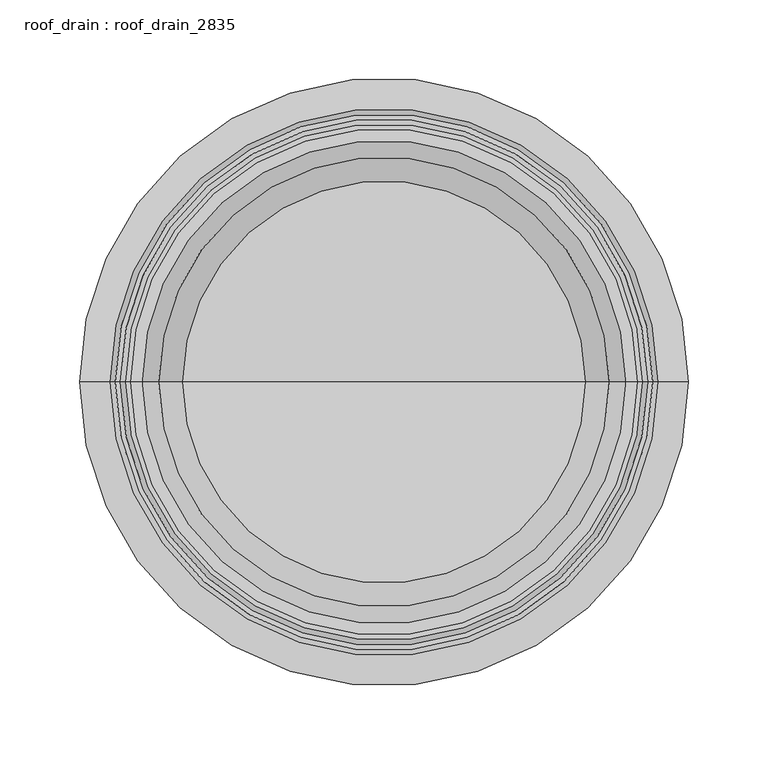
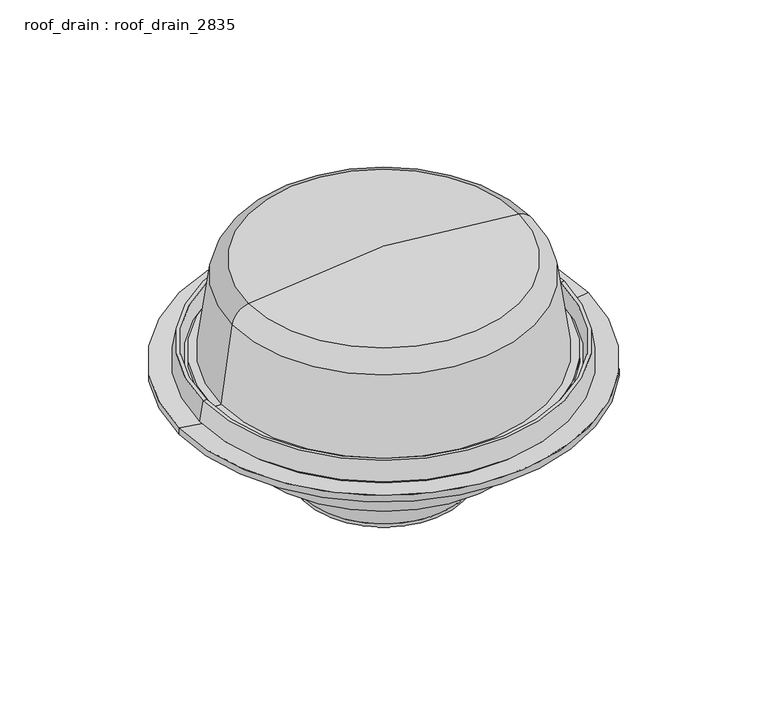
"""IFC4 building model written with IfcOpenShell, lengths in millimetres: proxy geometry, roof_drain : roof_drain_2835."""

from ifc_helpers import new_model, si_unit, point, frame, origin, place, context, project, spatial, polyline, circle_curve, ellipse_curve, trimmed, source, transform, mapped, element, save
from ifc_brep_helpers import plane_surface, cylinder_surface, revolved_surface, advanced_brep


def roof_drain_roof_drain_2835_247186c0(model_context):
    return source(origin(), model_context, "Body", "AdvancedBrep", [
        advanced_brep(
        [(-336.55, 0.0, 3732.1447843), (-368.3, 0.0, 3736.9072843), (12.7, 0.0, 3736.9072843), (-19.05, 0.0, 3732.1447843), (-312.7375, 0.0, 3732.1447843), (-42.8625, 0.0, 3732.1447843), (-312.7375, 0.0, 3698.8072843), (-42.8625, 0.0, 3698.8072843), (-292.1, 0.0, 3678.1697843), (-63.5, 0.0, 3678.1697843), (-263.525, 0.0, 3678.1697843), (-92.075, 0.0, 3678.1697843), (-249.2375, 0.0, 3663.8822843), (-106.3625, 0.0, 3663.8822843), (-249.2375, 0.0, 3628.9572843), (-106.3625, 0.0, 3628.9572843), (-247.65, 0.0, 3627.3697843), (-107.95, 0.0, 3627.3697843), (-244.475, 0.0, 3627.3697843), (-111.125, 0.0, 3627.3697843), (-244.475, 0.0, 3622.6072843), (-111.125, 0.0, 3622.6072843), (-247.65, 0.0, 3622.6072843), (-107.95, 0.0, 3622.6072843), (-254.0, 0.0, 3628.9572843), (-101.6, 0.0, 3628.9572843), (-254.0, 0.0, 3663.8822843), (-101.6, 0.0, 3663.8822843), (-263.525, 0.0, 3673.4072843), (-92.075, 0.0, 3673.4072843), (-292.1, 0.0, 3673.4072843), (-63.5, 0.0, 3673.4072843), (-317.5, 0.0, 3698.8072843), (-38.1, 0.0, 3698.8072843), (-317.5, 0.0, 3724.2072843), (-38.1, 0.0, 3724.2072843), (-368.3, 0.0, 3730.5572843), (12.7, 0.0, 3730.5572843)],
        [
            (0, 1),
            (1, 2, circle_curve(frame((-177.8, 0.0, 3736.9072843), z_axis=(0.0, 0.0, 1.0), x_axis=(1.0, 0.0, 0.0)), 190.5)),
            (2, 3),
            (3, 0, circle_curve(frame((-177.8, 0.0, 3732.1447843), z_axis=(0.0, 0.0, -1.0), x_axis=(1.0, 0.0, 0.0)), 158.75)),
            (2, 1, circle_curve(frame((-177.8, 0.0, 3736.9072843), z_axis=(0.0, 0.0, 1.0), x_axis=(1.0, 0.0, 0.0)), 190.5)),
            (0, 3, circle_curve(frame((-177.8, 0.0, 3732.1447843), z_axis=(0.0, 0.0, -1.0), x_axis=(1.0, 0.0, 0.0)), 158.75)),
            (4, 0),
            (3, 5),
            (5, 4, circle_curve(frame((-177.8, 0.0, 3732.1447843), z_axis=(0.0, 0.0, -1.0), x_axis=(1.0, 0.0, 0.0)), 134.9375)),
            (4, 5, circle_curve(frame((-177.8, 0.0, 3732.1447843), z_axis=(0.0, 0.0, -1.0), x_axis=(1.0, 0.0, 0.0)), 134.9375)),
            (6, 4),
            (5, 7),
            (7, 6, circle_curve(frame((-177.8, 0.0, 3698.8072843), z_axis=(0.0, 0.0, -1.0), x_axis=(1.0, 0.0, 0.0)), 134.9375)),
            (6, 7, circle_curve(frame((-177.8, 0.0, 3698.8072843), z_axis=(0.0, 0.0, -1.0), x_axis=(1.0, 0.0, 0.0)), 134.9375)),
            (8, 6, circle_curve(frame((-292.1, 0.0, 3698.8072843), z_axis=(0.0, 1.0, 0.0), x_axis=(-1.0, 0.0, 0.0)), 20.6375)),
            (7, 9, circle_curve(frame((-63.5, 0.0, 3698.8072843), z_axis=(0.0, 1.0, 0.0), x_axis=(1.0, 0.0, 0.0)), 20.6375)),
            (9, 8, circle_curve(frame((-177.8, 0.0, 3678.1697843), z_axis=(0.0, 0.0, -1.0), x_axis=(1.0, 0.0, 0.0)), 114.3)),
            (8, 9, circle_curve(frame((-177.8, 0.0, 3678.1697843), z_axis=(0.0, 0.0, -1.0), x_axis=(1.0, 0.0, 0.0)), 114.3)),
            (10, 8),
            (9, 11),
            (11, 10, circle_curve(frame((-177.8, 0.0, 3678.1697843), z_axis=(0.0, 0.0, -1.0), x_axis=(1.0, 0.0, 0.0)), 85.725)),
            (10, 11, circle_curve(frame((-177.8, 0.0, 3678.1697843), z_axis=(0.0, 0.0, -1.0), x_axis=(1.0, 0.0, 0.0)), 85.725)),
            (12, 10, circle_curve(frame((-263.525, 0.0, 3663.8822843), z_axis=(0.0, -1.0, 0.0), x_axis=(-1.0, 0.0, 0.0)), 14.2875)),
            (11, 13, circle_curve(frame((-92.075, 0.0, 3663.8822843), z_axis=(0.0, -1.0, 0.0), x_axis=(1.0, 0.0, 0.0)), 14.2875)),
            (13, 12, circle_curve(frame((-177.8, 0.0, 3663.8822843), z_axis=(0.0, 0.0, -1.0), x_axis=(1.0, 0.0, 0.0)), 71.4375)),
            (12, 13, circle_curve(frame((-177.8, 0.0, 3663.8822843), z_axis=(0.0, 0.0, -1.0), x_axis=(1.0, 0.0, 0.0)), 71.4375)),
            (14, 12),
            (13, 15),
            (15, 14, circle_curve(frame((-177.8, 0.0, 3628.9572843), z_axis=(0.0, 0.0, -1.0), x_axis=(1.0, 0.0, 0.0)), 71.4375)),
            (14, 15, circle_curve(frame((-177.8, 0.0, 3628.9572843), z_axis=(0.0, 0.0, -1.0), x_axis=(1.0, 0.0, 0.0)), 71.4375)),
            (16, 14, circle_curve(frame((-247.65, 0.0, 3628.9572843), z_axis=(0.0, 1.0, 0.0), x_axis=(-1.0, 0.0, 0.0)), 1.5875)),
            (15, 17, circle_curve(frame((-107.95, 0.0, 3628.9572843), z_axis=(0.0, 1.0, 0.0), x_axis=(1.0, 0.0, 0.0)), 1.5875)),
            (17, 16, circle_curve(frame((-177.8, 0.0, 3627.3697843), z_axis=(0.0, 0.0, -1.0), x_axis=(1.0, 0.0, 0.0)), 69.85)),
            (16, 17, circle_curve(frame((-177.8, 0.0, 3627.3697843), z_axis=(0.0, 0.0, -1.0), x_axis=(1.0, 0.0, 0.0)), 69.85)),
            (18, 16),
            (17, 19),
            (19, 18, circle_curve(frame((-177.8, 0.0, 3627.3697843), z_axis=(0.0, 0.0, -1.0), x_axis=(1.0, 0.0, 0.0)), 66.675)),
            (18, 19, circle_curve(frame((-177.8, 0.0, 3627.3697843), z_axis=(0.0, 0.0, -1.0), x_axis=(1.0, 0.0, 0.0)), 66.675)),
            (20, 18),
            (19, 21),
            (21, 20, circle_curve(frame((-177.8, 0.0, 3622.6072843), z_axis=(0.0, 0.0, -1.0), x_axis=(1.0, 0.0, 0.0)), 66.675)),
            (20, 21, circle_curve(frame((-177.8, 0.0, 3622.6072843), z_axis=(0.0, 0.0, -1.0), x_axis=(1.0, 0.0, 0.0)), 66.675)),
            (22, 20),
            (21, 23),
            (23, 22, circle_curve(frame((-177.8, 0.0, 3622.6072843), z_axis=(0.0, 0.0, -1.0), x_axis=(1.0, 0.0, 0.0)), 69.85)),
            (22, 23, circle_curve(frame((-177.8, 0.0, 3622.6072843), z_axis=(0.0, 0.0, -1.0), x_axis=(1.0, 0.0, 0.0)), 69.85)),
            (24, 22, circle_curve(frame((-247.65, 0.0, 3628.9572843), z_axis=(0.0, -1.0, 0.0), x_axis=(-1.0, 0.0, 0.0)), 6.35)),
            (23, 25, circle_curve(frame((-107.95, 0.0, 3628.9572843), z_axis=(0.0, -1.0, 0.0), x_axis=(1.0, 0.0, 0.0)), 6.35)),
            (25, 24, circle_curve(frame((-177.8, 0.0, 3628.9572843), z_axis=(0.0, 0.0, -1.0), x_axis=(1.0, 0.0, 0.0)), 76.2)),
            (24, 25, circle_curve(frame((-177.8, 0.0, 3628.9572843), z_axis=(0.0, 0.0, -1.0), x_axis=(1.0, 0.0, 0.0)), 76.2)),
            (26, 24),
            (25, 27),
            (27, 26, circle_curve(frame((-177.8, 0.0, 3663.8822843), z_axis=(0.0, 0.0, -1.0), x_axis=(1.0, 0.0, 0.0)), 76.2)),
            (26, 27, circle_curve(frame((-177.8, 0.0, 3663.8822843), z_axis=(0.0, 0.0, -1.0), x_axis=(1.0, 0.0, 0.0)), 76.2)),
            (28, 26, circle_curve(frame((-263.525, 0.0, 3663.8822843), z_axis=(0.0, 1.0, 0.0), x_axis=(-1.0, 0.0, 0.0)), 9.525)),
            (27, 29, circle_curve(frame((-92.075, 0.0, 3663.8822843), z_axis=(0.0, 1.0, 0.0), x_axis=(1.0, 0.0, 0.0)), 9.525)),
            (29, 28, circle_curve(frame((-177.8, 0.0, 3673.4072843), z_axis=(0.0, 0.0, -1.0), x_axis=(1.0, 0.0, 0.0)), 85.725)),
            (28, 29, circle_curve(frame((-177.8, 0.0, 3673.4072843), z_axis=(0.0, 0.0, -1.0), x_axis=(1.0, 0.0, 0.0)), 85.725)),
            (30, 28),
            (29, 31),
            (31, 30, circle_curve(frame((-177.8, 0.0, 3673.4072843), z_axis=(0.0, 0.0, -1.0), x_axis=(1.0, 0.0, 0.0)), 114.3)),
            (30, 31, circle_curve(frame((-177.8, 0.0, 3673.4072843), z_axis=(0.0, 0.0, -1.0), x_axis=(1.0, 0.0, 0.0)), 114.3)),
            (32, 30, circle_curve(frame((-292.1, 0.0, 3698.8072843), z_axis=(0.0, -1.0, 0.0), x_axis=(-1.0, 0.0, 0.0)), 25.4)),
            (31, 33, circle_curve(frame((-63.5, 0.0, 3698.8072843), z_axis=(0.0, -1.0, 0.0), x_axis=(1.0, 0.0, 0.0)), 25.4)),
            (33, 32, circle_curve(frame((-177.8, 0.0, 3698.8072843), z_axis=(0.0, 0.0, -1.0), x_axis=(1.0, 0.0, 0.0)), 139.7)),
            (32, 33, circle_curve(frame((-177.8, 0.0, 3698.8072843), z_axis=(0.0, 0.0, -1.0), x_axis=(1.0, 0.0, 0.0)), 139.7)),
            (34, 32),
            (33, 35),
            (35, 34, circle_curve(frame((-177.8, 0.0, 3724.2072843), z_axis=(0.0, 0.0, -1.0), x_axis=(1.0, 0.0, 0.0)), 139.7)),
            (34, 35, circle_curve(frame((-177.8, 0.0, 3724.2072843), z_axis=(0.0, 0.0, -1.0), x_axis=(1.0, 0.0, 0.0)), 139.7)),
            (36, 34),
            (35, 37),
            (37, 36, circle_curve(frame((-177.8, 0.0, 3730.5572843), z_axis=(0.0, 0.0, -1.0), x_axis=(1.0, 0.0, 0.0)), 190.5)),
            (36, 37, circle_curve(frame((-177.8, 0.0, 3730.5572843), z_axis=(0.0, 0.0, -1.0), x_axis=(1.0, 0.0, 0.0)), 190.5)),
            (1, 36),
            (37, 2),
        ],
        [
            revolved_surface(polyline([(12.7, 0.0, 3736.9072843), (-19.05, 0.0, 3732.1447843)]), (-177.8, 0.0, 3578.1572843), (0.0, 0.0, 1.0)),
            plane_surface(frame((-177.8, 0.0, 3732.1447843), z_axis=(0.0, 0.0, 1.0), x_axis=(1.0, 0.0, 0.0))),
            revolved_surface(polyline([(-42.86250000000001, 0.0, 3732.1447843), (-42.86250000000001, 0.0, 3698.8072843)]), (-177.8, 0.0, 3578.1572843), (0.0, 0.0, 1.0)),
            revolved_surface(trimmed(ellipse_curve(frame((-63.5, 0.0, 3698.8072843), z_axis=(0.0, 1.0, 0.0), x_axis=(1.0, 0.0, 0.0)), 20.6375, 20.6375), [point((-42.8625, 0.0, 3698.8072843))], [point((-63.5, 0.0, 3678.1697843))], True, "CARTESIAN"), (-177.8, 0.0, 3578.1572843), (0.0, 0.0, 1.0)),
            plane_surface(frame((-177.8, 0.0, 3678.1697843), z_axis=(0.0, 0.0, 1.0), x_axis=(1.0, 0.0, 0.0))),
            revolved_surface(trimmed(ellipse_curve(frame((-92.075, 0.0, 3663.8822843), z_axis=(0.0, -1.0, 0.0), x_axis=(1.0, 0.0, 0.0)), 14.2875, 14.2875), [point((-92.075, 0.0, 3678.1697843))], [point((-106.3625, 0.0, 3663.8822843))], True, "CARTESIAN"), (-177.8, 0.0, 3578.1572843), (0.0, 0.0, 1.0)),
            revolved_surface(polyline([(-106.36250000000001, 0.0, 3663.8822843), (-106.36250000000001, 0.0, 3628.9572843)]), (-177.8, 0.0, 3578.1572843), (0.0, 0.0, 1.0)),
            revolved_surface(trimmed(ellipse_curve(frame((-107.95, 0.0, 3628.9572843), z_axis=(0.0, 1.0, 0.0), x_axis=(1.0, 0.0, 0.0)), 1.5875, 1.5875), [point((-106.3625, 0.0, 3628.9572843))], [point((-107.95, 0.0, 3627.3697843))], True, "CARTESIAN"), (-177.8, 0.0, 3578.1572843), (0.0, 0.0, 1.0)),
            plane_surface(frame((-177.8, 0.0, 3627.3697843), z_axis=(0.0, 0.0, 1.0), x_axis=(1.0, 0.0, 0.0))),
            revolved_surface(polyline([(-111.12500000000001, 0.0, 3627.3697843), (-111.12500000000001, 0.0, 3622.6072843)]), (-177.8, 0.0, 3578.1572843), (0.0, 0.0, 1.0)),
            plane_surface(frame((-177.8, 0.0, 3622.6072843), z_axis=(0.0, 0.0, -1.0), x_axis=(1.0, 0.0, 0.0))),
            revolved_surface(trimmed(ellipse_curve(frame((-107.95, 0.0, 3628.9572843), z_axis=(0.0, -1.0, 0.0), x_axis=(1.0, 0.0, 0.0)), 6.35, 6.35), [point((-107.95, 0.0, 3622.6072843))], [point((-101.6, 0.0, 3628.9572843))], True, "CARTESIAN"), (-177.8, 0.0, 3578.1572843), (0.0, 0.0, 1.0)),
            cylinder_surface(frame((-177.8, 0.0, 3578.1572843), z_axis=(0.0, 0.0, 1.0), x_axis=(1.0, 0.0, 0.0)), 76.2),
            revolved_surface(trimmed(ellipse_curve(frame((-92.075, 0.0, 3663.8822843), z_axis=(0.0, 1.0, 0.0), x_axis=(1.0, 0.0, 0.0)), 9.525, 9.525), [point((-101.6, 0.0, 3663.8822843))], [point((-92.075, 0.0, 3673.4072843))], True, "CARTESIAN"), (-177.8, 0.0, 3578.1572843), (0.0, 0.0, 1.0)),
            plane_surface(frame((-177.8, 0.0, 3673.4072843), z_axis=(0.0, 0.0, -1.0), x_axis=(1.0, 0.0, 0.0))),
            revolved_surface(trimmed(ellipse_curve(frame((-63.5, 0.0, 3698.8072843), z_axis=(0.0, -1.0, 0.0), x_axis=(1.0, 0.0, 0.0)), 25.4, 25.4), [point((-63.5, 0.0, 3673.4072843))], [point((-38.1, 0.0, 3698.8072843))], True, "CARTESIAN"), (-177.8, 0.0, 3578.1572843), (0.0, 0.0, 1.0)),
            cylinder_surface(frame((-177.8, 0.0, 3578.1572843), z_axis=(0.0, 0.0, 1.0), x_axis=(1.0, 0.0, 0.0)), 139.7),
            revolved_surface(polyline([(-38.1, 0.0, 3724.2072843), (12.7, 0.0, 3730.5572843)]), (-177.8, 0.0, 3578.1572843), (0.0, 0.0, 1.0)),
            cylinder_surface(frame((-177.8, 0.0, 3578.1572843), z_axis=(0.0, 0.0, 1.0), x_axis=(1.0, 0.0, 0.0)), 190.5),
        ],
        [
            (0, [[1, 2, 3, 4]]),
            (0, [[-3, 5, -1, 6]]),
            (1, [[7, -4, 8, 9]]),
            (1, [[-8, -6, -7, 10]]),
            (2, [[11, -9, 12, 13]]),
            (2, [[-12, -10, -11, 14]]),
            (3, [[15, -13, 16, 17]]),
            (3, [[-16, -14, -15, 18]]),
            (4, [[19, -17, 20, 21]]),
            (4, [[-20, -18, -19, 22]]),
            (5, [[23, -21, 24, 25]]),
            (5, [[-24, -22, -23, 26]]),
            (6, [[27, -25, 28, 29]]),
            (6, [[-28, -26, -27, 30]]),
            (7, [[31, -29, 32, 33]]),
            (7, [[-32, -30, -31, 34]]),
            (8, [[35, -33, 36, 37]]),
            (8, [[-36, -34, -35, 38]]),
            (9, [[39, -37, 40, 41]]),
            (9, [[-40, -38, -39, 42]]),
            (10, [[43, -41, 44, 45]]),
            (10, [[-44, -42, -43, 46]]),
            (11, [[47, -45, 48, 49]]),
            (11, [[-48, -46, -47, 50]]),
            (12, [[51, -49, 52, 53]]),
            (12, [[-52, -50, -51, 54]]),
            (13, [[55, -53, 56, 57]]),
            (13, [[-56, -54, -55, 58]]),
            (14, [[59, -57, 60, 61]]),
            (14, [[-60, -58, -59, 62]]),
            (15, [[63, -61, 64, 65]]),
            (15, [[-64, -62, -63, 66]]),
            (16, [[67, -65, 68, 69]]),
            (16, [[-68, -66, -67, 70]]),
            (17, [[71, -69, 72, 73]]),
            (17, [[-72, -70, -71, 74]]),
            (18, [[75, -73, 76, -2]]),
            (18, [[-76, -74, -75, -5]]),
        ],
    ),
        advanced_brep(
        [(-339.725, 0.0, 3741.6697843), (-342.9, 0.0, 3755.9572843), (-12.7, 0.0, 3755.9572843), (-15.875, 0.0, 3741.6697843), (-288.925, 0.0, 3741.6697843), (-66.675, 0.0, 3741.6697843), (-291.0416667, 0.0, 3728.9697843), (-64.5583333, 0.0, 3728.9697843), (-300.5666667, 0.0, 3728.9697843), (-55.0333333, 0.0, 3728.9697843), (-301.0958333, 0.0, 3732.1447843), (-54.5041667, 0.0, 3732.1447843), (-336.55, 0.0, 3732.1447843), (-19.05, 0.0, 3732.1447843), (-346.075, 0.0, 3733.7322843), (-9.525, 0.0, 3733.7322843), (-349.25, 0.0, 3736.9072843), (-6.35, 0.0, 3736.9072843), (-346.075, 0.0, 3755.9572843), (-9.525, 0.0, 3755.9572843)],
        [
            (0, 1),
            (1, 2, circle_curve(frame((-177.8, 0.0, 3755.9572843), z_axis=(0.0, 0.0, 1.0), x_axis=(1.0, 0.0, 0.0)), 165.1)),
            (2, 3),
            (3, 0, circle_curve(frame((-177.8, 0.0, 3741.6697843), z_axis=(0.0, 0.0, -1.0), x_axis=(1.0, 0.0, 0.0)), 161.925)),
            (2, 1, circle_curve(frame((-177.8, 0.0, 3755.9572843), z_axis=(0.0, 0.0, 1.0), x_axis=(1.0, 0.0, 0.0)), 165.1)),
            (0, 3, circle_curve(frame((-177.8, 0.0, 3741.6697843), z_axis=(0.0, 0.0, -1.0), x_axis=(1.0, 0.0, 0.0)), 161.925)),
            (4, 0),
            (3, 5),
            (5, 4, circle_curve(frame((-177.8, 0.0, 3741.6697843), z_axis=(0.0, 0.0, -1.0), x_axis=(1.0, 0.0, 0.0)), 111.125)),
            (4, 5, circle_curve(frame((-177.8, 0.0, 3741.6697843), z_axis=(0.0, 0.0, -1.0), x_axis=(1.0, 0.0, 0.0)), 111.125)),
            (6, 4),
            (5, 7),
            (7, 6, circle_curve(frame((-177.8, 0.0, 3728.9697843), z_axis=(0.0, 0.0, -1.0), x_axis=(1.0, 0.0, 0.0)), 113.2416667)),
            (6, 7, circle_curve(frame((-177.8, 0.0, 3728.9697843), z_axis=(0.0, 0.0, -1.0), x_axis=(1.0, 0.0, 0.0)), 113.2416667)),
            (8, 6),
            (7, 9),
            (9, 8, circle_curve(frame((-177.8, 0.0, 3728.9697843), z_axis=(0.0, 0.0, -1.0), x_axis=(1.0, 0.0, 0.0)), 122.7666667)),
            (8, 9, circle_curve(frame((-177.8, 0.0, 3728.9697843), z_axis=(0.0, 0.0, -1.0), x_axis=(1.0, 0.0, 0.0)), 122.7666667)),
            (10, 8),
            (9, 11),
            (11, 10, circle_curve(frame((-177.8, 0.0, 3732.1447843), z_axis=(0.0, 0.0, -1.0), x_axis=(1.0, 0.0, 0.0)), 123.2958333)),
            (10, 11, circle_curve(frame((-177.8, 0.0, 3732.1447843), z_axis=(0.0, 0.0, -1.0), x_axis=(1.0, 0.0, 0.0)), 123.2958333)),
            (12, 10),
            (11, 13),
            (13, 12, circle_curve(frame((-177.8, 0.0, 3732.1447843), z_axis=(0.0, 0.0, -1.0), x_axis=(1.0, 0.0, 0.0)), 158.75)),
            (12, 13, circle_curve(frame((-177.8, 0.0, 3732.1447843), z_axis=(0.0, 0.0, -1.0), x_axis=(1.0, 0.0, 0.0)), 158.75)),
            (14, 12),
            (13, 15),
            (15, 14, circle_curve(frame((-177.8, 0.0, 3733.7322843), z_axis=(0.0, 0.0, -1.0), x_axis=(1.0, 0.0, 0.0)), 168.275)),
            (14, 15, circle_curve(frame((-177.8, 0.0, 3733.7322843), z_axis=(0.0, 0.0, -1.0), x_axis=(1.0, 0.0, 0.0)), 168.275)),
            (16, 14),
            (15, 17),
            (17, 16, circle_curve(frame((-177.8, 0.0, 3736.9072843), z_axis=(0.0, 0.0, -1.0), x_axis=(1.0, 0.0, 0.0)), 171.45)),
            (16, 17, circle_curve(frame((-177.8, 0.0, 3736.9072843), z_axis=(0.0, 0.0, -1.0), x_axis=(1.0, 0.0, 0.0)), 171.45)),
            (18, 16),
            (17, 19),
            (19, 18, circle_curve(frame((-177.8, 0.0, 3755.9572843), z_axis=(0.0, 0.0, -1.0), x_axis=(1.0, 0.0, 0.0)), 168.275)),
            (18, 19, circle_curve(frame((-177.8, 0.0, 3755.9572843), z_axis=(0.0, 0.0, -1.0), x_axis=(1.0, 0.0, 0.0)), 168.275)),
            (1, 18),
            (19, 2),
        ],
        [
            revolved_surface(polyline([(-12.7, 0.0, 3755.9572843), (-15.875, 0.0, 3741.6697843)]), (-177.8, 0.0, 3621.0197843), (0.0, 0.0, 1.0)),
            plane_surface(frame((-177.8, 0.0, 3741.6697843), z_axis=(0.0, 0.0, 1.0), x_axis=(1.0, 0.0, 0.0))),
            revolved_surface(polyline([(-66.675, 0.0, 3741.6697843), (-64.5583333, 0.0, 3728.9697843)]), (-177.8, 0.0, 3621.0197843), (0.0, 0.0, 1.0)),
            plane_surface(frame((-177.8, 0.0, 3728.9697843), z_axis=(0.0, 0.0, -1.0), x_axis=(1.0, 0.0, 0.0))),
            revolved_surface(polyline([(-55.0333333, 0.0, 3728.9697843), (-54.5041667, 0.0, 3732.1447843)]), (-177.8, 0.0, 3621.0197843), (0.0, 0.0, 1.0)),
            plane_surface(frame((-177.8, 0.0, 3732.1447843), z_axis=(0.0, 0.0, -1.0), x_axis=(1.0, 0.0, 0.0))),
            revolved_surface(polyline([(-19.05, 0.0, 3732.1447843), (-9.525, 0.0, 3733.7322843)]), (-177.8, 0.0, 3621.0197843), (0.0, 0.0, 1.0)),
            revolved_surface(polyline([(-9.525, 0.0, 3733.7322843), (-6.35, 0.0, 3736.9072843)]), (-177.8, 0.0, 3621.0197843), (0.0, 0.0, 1.0)),
            revolved_surface(polyline([(-6.35, 0.0, 3736.9072843), (-9.525, 0.0, 3755.9572843)]), (-177.8, 0.0, 3621.0197843), (0.0, 0.0, 1.0)),
            plane_surface(frame((-177.8, 0.0, 3755.9572843), z_axis=(0.0, 0.0, 1.0), x_axis=(1.0, 0.0, 0.0))),
        ],
        [
            (0, [[1, 2, 3, 4]]),
            (0, [[-3, 5, -1, 6]]),
            (1, [[7, -4, 8, 9]]),
            (1, [[-8, -6, -7, 10]]),
            (2, [[11, -9, 12, 13]]),
            (2, [[-12, -10, -11, 14]]),
            (3, [[15, -13, 16, 17]]),
            (3, [[-16, -14, -15, 18]]),
            (4, [[19, -17, 20, 21]]),
            (4, [[-20, -18, -19, 22]]),
            (5, [[23, -21, 24, 25]]),
            (5, [[-24, -22, -23, 26]]),
            (6, [[27, -25, 28, 29]]),
            (6, [[-28, -26, -27, 30]]),
            (7, [[31, -29, 32, 33]]),
            (7, [[-32, -30, -31, 34]]),
            (8, [[35, -33, 36, 37]]),
            (8, [[-36, -34, -35, 38]]),
            (9, [[39, -37, 40, -2]]),
            (9, [[-40, -38, -39, -5]]),
        ],
    ),
        advanced_brep(
        [(-177.8, 0.0, 3849.6197843), (-303.7005172, 0.0, 3837.1409017), (-51.8994828, 0.0, 3837.1409017), (-302.7656124, 0.0, 3832.4710667), (-177.8, 0.0, 3844.8572843), (-52.8343876, 0.0, 3832.4710667), (-314.1100912, 0.0, 3820.4447369), (-41.4899088, 0.0, 3820.4447369), (-325.1513245, 0.0, 3741.6697843), (-30.4486755, 0.0, 3741.6697843), (-336.55, 0.0, 3741.6697843), (-19.05, 0.0, 3741.6697843), (-336.55, 0.0, 3746.4322843), (-19.05, 0.0, 3746.4322843), (-329.2928571, 0.0, 3746.4322843), (-26.3071429, 0.0, 3746.4322843), (-318.826489, 0.0, 3821.1057954), (-36.773511, 0.0, 3821.1057954)],
        [
            (0, 1, circle_curve(frame((-177.8, 0.0, 3208.2697843), z_axis=(0.0, -1.0, 0.0), x_axis=(-1.0, 0.0, 0.0)), 641.35)),
            (1, 2, circle_curve(frame((-177.8, 0.0, 3837.1409017), z_axis=(0.0, 0.0, 1.0), x_axis=(1.0, 0.0, 0.0)), 125.9005172)),
            (2, 0, circle_curve(frame((-177.8, 0.0, 3208.2697843), z_axis=(0.0, -1.0, 0.0), x_axis=(1.0, 0.0, 0.0)), 641.35)),
            (2, 1, circle_curve(frame((-177.8, 0.0, 3837.1409017), z_axis=(0.0, 0.0, 1.0), x_axis=(1.0, 0.0, 0.0)), 125.9005172)),
            (3, 4, circle_curve(frame((-177.8, 0.0, 3208.2697843), z_axis=(0.0, 1.0, 0.0), x_axis=(-1.0, 0.0, 0.0)), 636.5875)),
            (4, 5, circle_curve(frame((-177.8, 0.0, 3208.2697843), z_axis=(0.0, 1.0, 0.0), x_axis=(1.0, 0.0, 0.0)), 636.5875)),
            (5, 3, circle_curve(frame((-177.8, 0.0, 3832.4710667), z_axis=(0.0, 0.0, -1.0), x_axis=(1.0, 0.0, 0.0)), 124.9656124)),
            (3, 5, circle_curve(frame((-177.8, 0.0, 3832.4710667), z_axis=(0.0, 0.0, -1.0), x_axis=(1.0, 0.0, 0.0)), 124.9656124)),
            (6, 3, circle_curve(frame((-299.9608979, 0.0, 3818.4615616), z_axis=(0.0, 1.0, 0.0), x_axis=(-1.0, 0.0, 0.0)), 14.2875)),
            (5, 7, circle_curve(frame((-55.6391021, 0.0, 3818.4615616), z_axis=(0.0, 1.0, 0.0), x_axis=(1.0, 0.0, 0.0)), 14.2875)),
            (7, 6, circle_curve(frame((-177.8, 0.0, 3820.4447369), z_axis=(0.0, 0.0, -1.0), x_axis=(1.0, 0.0, 0.0)), 136.3100912)),
            (6, 7, circle_curve(frame((-177.8, 0.0, 3820.4447369), z_axis=(0.0, 0.0, -1.0), x_axis=(1.0, 0.0, 0.0)), 136.3100912)),
            (8, 6),
            (7, 9),
            (9, 8, circle_curve(frame((-177.8, 0.0, 3741.6697843), z_axis=(0.0, 0.0, -1.0), x_axis=(1.0, 0.0, 0.0)), 147.3513245)),
            (8, 9, circle_curve(frame((-177.8, 0.0, 3741.6697843), z_axis=(0.0, 0.0, -1.0), x_axis=(1.0, 0.0, 0.0)), 147.3513245)),
            (10, 8),
            (9, 11),
            (11, 10, circle_curve(frame((-177.8, 0.0, 3741.6697843), z_axis=(0.0, 0.0, -1.0), x_axis=(1.0, 0.0, 0.0)), 158.75)),
            (10, 11, circle_curve(frame((-177.8, 0.0, 3741.6697843), z_axis=(0.0, 0.0, -1.0), x_axis=(1.0, 0.0, 0.0)), 158.75)),
            (12, 10),
            (11, 13),
            (13, 12, circle_curve(frame((-177.8, 0.0, 3746.4322843), z_axis=(0.0, 0.0, -1.0), x_axis=(1.0, 0.0, 0.0)), 158.75)),
            (12, 13, circle_curve(frame((-177.8, 0.0, 3746.4322843), z_axis=(0.0, 0.0, -1.0), x_axis=(1.0, 0.0, 0.0)), 158.75)),
            (14, 12),
            (13, 15),
            (15, 14, circle_curve(frame((-177.8, 0.0, 3746.4322843), z_axis=(0.0, 0.0, -1.0), x_axis=(1.0, 0.0, 0.0)), 151.4928571)),
            (14, 15, circle_curve(frame((-177.8, 0.0, 3746.4322843), z_axis=(0.0, 0.0, -1.0), x_axis=(1.0, 0.0, 0.0)), 151.4928571)),
            (16, 14),
            (15, 17),
            (17, 16, circle_curve(frame((-177.8, 0.0, 3821.1057954), z_axis=(0.0, 0.0, -1.0), x_axis=(1.0, 0.0, 0.0)), 141.026489)),
            (16, 17, circle_curve(frame((-177.8, 0.0, 3821.1057954), z_axis=(0.0, 0.0, -1.0), x_axis=(1.0, 0.0, 0.0)), 141.026489)),
            (1, 16, circle_curve(frame((-299.9608979, 0.0, 3818.4615616), z_axis=(0.0, -1.0, 0.0), x_axis=(-1.0, 0.0, 0.0)), 19.05)),
            (17, 2, circle_curve(frame((-55.6391021, 0.0, 3818.4615616), z_axis=(0.0, -1.0, 0.0), x_axis=(1.0, 0.0, 0.0)), 19.05)),
        ],
        [
            revolved_surface(trimmed(ellipse_curve(frame((-177.8, 0.0, 3208.2697843), z_axis=(0.0, -1.0, 0.0), x_axis=(1.0, 0.0, 0.0)), 641.35, 641.35), [point((-51.8994828, 0.0, 3837.1409017))], [point((-177.8, 0.0, 3849.6197843))], True, "CARTESIAN"), (-177.8, 0.0, 3589.2697843), (0.0, 0.0, 1.0)),
            revolved_surface(trimmed(ellipse_curve(frame((-177.8, 0.0, 3208.2697843), z_axis=(0.0, 1.0, 0.0), x_axis=(1.0, 0.0, 0.0)), 636.5875, 636.5875), [point((-177.8, 0.0, 3844.8572843))], [point((-52.8343876, 0.0, 3832.4710667))], True, "CARTESIAN"), (-177.8, 0.0, 3589.2697843), (0.0, 0.0, 1.0)),
            revolved_surface(trimmed(ellipse_curve(frame((-55.6391021, 0.0, 3818.4615616), z_axis=(0.0, 1.0, 0.0), x_axis=(1.0, 0.0, 0.0)), 14.2875, 14.2875), [point((-52.8343876, 0.0, 3832.4710667))], [point((-41.4899088, 0.0, 3820.4447369))], True, "CARTESIAN"), (-177.8, 0.0, 3589.2697843), (0.0, 0.0, 1.0)),
            revolved_surface(polyline([(-41.4899088, 0.0, 3820.4447369), (-30.4486755, 0.0, 3741.6697843)]), (-177.8, 0.0, 3589.2697843), (0.0, 0.0, 1.0)),
            plane_surface(frame((-177.8, 0.0, 3741.6697843), z_axis=(0.0, 0.0, -1.0), x_axis=(1.0, 0.0, 0.0))),
            cylinder_surface(frame((-177.8, 0.0, 3589.2697843), z_axis=(0.0, 0.0, 1.0), x_axis=(1.0, 0.0, 0.0)), 158.75),
            plane_surface(frame((-177.8, 0.0, 3746.4322843), z_axis=(0.0, 0.0, 1.0), x_axis=(1.0, 0.0, 0.0))),
            revolved_surface(polyline([(-26.3071429, 0.0, 3746.4322843), (-36.773511, 0.0, 3821.1057954)]), (-177.8, 0.0, 3589.2697843), (0.0, 0.0, 1.0)),
            revolved_surface(trimmed(ellipse_curve(frame((-55.6391021, 0.0, 3818.4615616), z_axis=(0.0, -1.0, 0.0), x_axis=(1.0, 0.0, 0.0)), 19.05, 19.05), [point((-36.773511, 0.0, 3821.1057954))], [point((-51.8994828, 0.0, 3837.1409017))], True, "CARTESIAN"), (-177.8, 0.0, 3589.2697843), (0.0, 0.0, 1.0)),
        ],
        [
            (0, [[1, 2, 3]]),
            (0, [[-3, 4, -1]]),
            (1, [[5, 6, 7]]),
            (1, [[-6, -5, 8]]),
            (2, [[9, -7, 10, 11]]),
            (2, [[-10, -8, -9, 12]]),
            (3, [[13, -11, 14, 15]]),
            (3, [[-14, -12, -13, 16]]),
            (4, [[17, -15, 18, 19]]),
            (4, [[-18, -16, -17, 20]]),
            (5, [[21, -19, 22, 23]]),
            (5, [[-22, -20, -21, 24]]),
            (6, [[25, -23, 26, 27]]),
            (6, [[-26, -24, -25, 28]]),
            (7, [[29, -27, 30, 31]]),
            (7, [[-30, -28, -29, 32]]),
            (8, [[33, -31, 34, -2]]),
            (8, [[-34, -32, -33, -4]]),
        ],
    ),
    ])


if __name__ == "__main__":
    model = new_model("IFC4")
    model_context = context("Model", 3, world=origin())
    ifc_project = project(units=[si_unit("LENGTHUNIT", "METRE", prefix="MILLI")], contexts=[model_context])
    site = spatial("IfcSite", under=ifc_project)
    building = spatial("IfcBuilding", under=site)
    placement = place(None, origin())
    roof_drain_roof_drain_2835_shape = roof_drain_roof_drain_2835_247186c0(model_context)
    element("IfcBuildingElementProxy", 1, Name="roof_drain : roof_drain_2835", ObjectType="roof_drain : roof_drain_2835", at=placement, inside=building, context=model_context, shape_type="MappedRepresentation", body=[
        mapped(roof_drain_roof_drain_2835_shape, transform((0.0, 0.0, 0.0), x_axis=(1.0, 0.0, 0.0), y_axis=(0.0, 1.0, 0.0), z_axis=(0.0, 0.0, 1.0))),
    ])
    save(model, "model.ifc")
